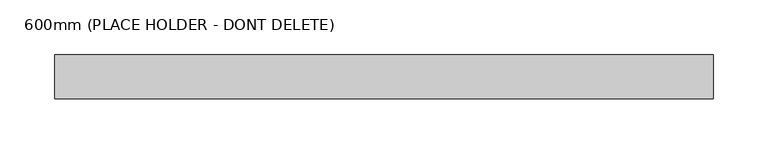
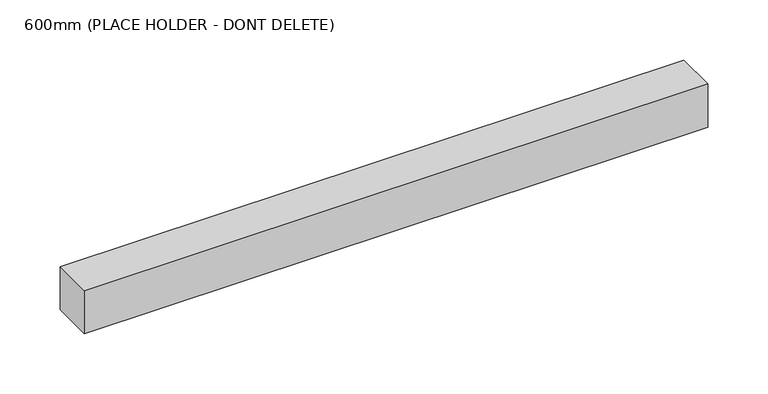
"""IFC4 building model written with IfcOpenShell, lengths in millimetres: light fixture geometry, 600mm (PLACE HOLDER - DONT DELETE)."""

from ifc_helpers import new_model, si_unit, frame, origin, place, context, project, spatial, polyline, outline, extrude, source, transform, mapped, element, save


def light_fixture_600mm_place_holder_dont_delete_3cbb5690(model_context):
    return source(origin(), model_context, "Body", "SweptSolid", [
        extrude(outline(polyline([(329.249725, 20.0), (329.249725, -20.0), (-270.750275, -20.0), (-270.750275, 20.0), (329.249725, 20.0)])), frame((0.0, 0.0, -44.0), z_axis=(0.0, 0.0, 1.0), x_axis=(1.0, 0.0, 0.0)), (0.0, 0.0, 1.0), 44.0),
    ])


if __name__ == "__main__":
    model = new_model("IFC4")
    model_context = context("Model", 3, world=origin())
    ifc_project = project(units=[si_unit("LENGTHUNIT", "METRE", prefix="MILLI")], contexts=[model_context])
    site = spatial("IfcSite", under=ifc_project)
    building = spatial("IfcBuilding", under=site)
    placement = place(None, origin())
    light_fixture_600mm_place_holder_dont_delete_shape = light_fixture_600mm_place_holder_dont_delete_3cbb5690(model_context)
    element("IfcLightFixture", 1, ObjectType="600mm (PLACE HOLDER - DONT DELETE)", at=placement, inside=building, context=model_context, shape_type="MappedRepresentation", body=[
        mapped(light_fixture_600mm_place_holder_dont_delete_shape, transform((0.0, 0.0, 0.0), x_axis=(1.0, 0.0, 0.0), y_axis=(0.0, 1.0, 0.0), z_axis=(0.0, 0.0, 1.0))),
    ])
    save(model, "model.ifc")
